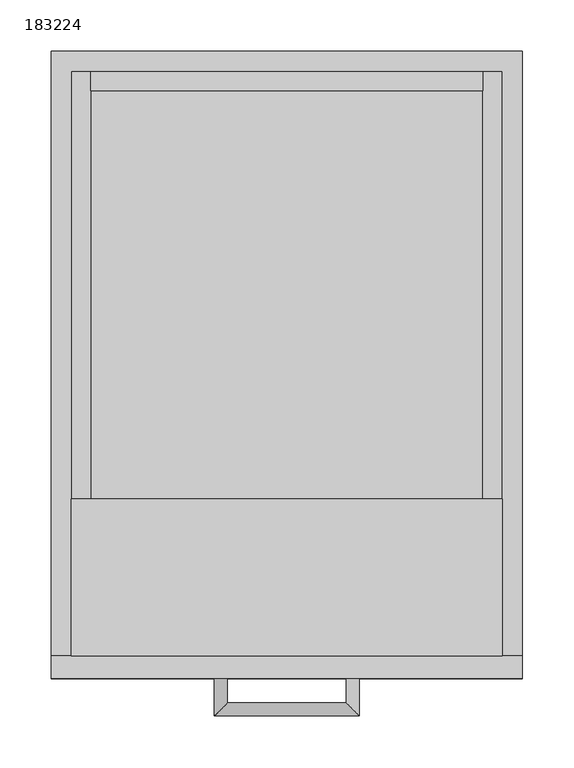
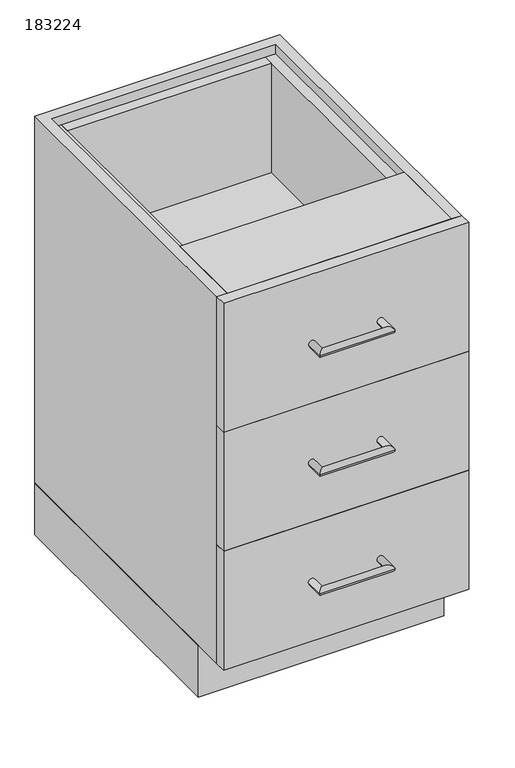
"""IFC4 building model written with IfcOpenShell, lengths in millimetres: furniture geometry, 183224."""

from ifc_helpers import new_model, si_unit, frame, origin, origin_with_axes, place, context, project, spatial, polyline, circle_curve, ellipse_curve, outline, extrude, source, transform, mapped, element, save
from ifc_brep_helpers import plane_surface, cylinder_surface, advanced_brep


def furniture_183224_56a2f781(model_context):
    return source(origin(), model_context, "Body", "SolidModel", [
        extrude(outline(polyline([(-209.8622951, 0.0), (247.3377049, 0.0), (247.3377049, -528.6), (-209.8622951, -528.6), (-209.8622951, 0.0)]), holes=[polyline([(-190.6622951, -509.4), (228.1377049, -509.4), (228.1377049, -19.2), (-190.6622951, -19.2), (-190.6622951, -509.4)])]), origin_with_axes(), (0.0, 0.0, 1.0), 101.5996875),
        extrude(outline(polyline([(208.9377049, -19.2), (208.9377049, -38.4), (-171.4622951, -38.4), (-171.4622951, -19.2), (208.9377049, -19.2)])), frame((0.0, 0.0, 590.5998958), z_axis=(0.0, 0.0, 1.0), x_axis=(1.0, 0.0, 0.0)), (0.0, 0.0, 1.0), 215.7001042),
        extrude(outline(polyline([(208.9377049, -19.2), (208.9377049, -38.4), (-171.4622951, -38.4), (-171.4622951, -19.2), (208.9377049, -19.2)])), frame((0.0, 0.0, 355.6997917), z_axis=(0.0, 0.0, 1.0), x_axis=(1.0, 0.0, 0.0)), (0.0, 0.0, 1.0), 215.7001042),
        extrude(outline(polyline([(208.9377049, -19.2), (208.9377049, -38.4), (-171.4622951, -38.4), (-171.4622951, -19.2), (208.9377049, -19.2)])), frame((0.0, 0.0, 120.7996875), z_axis=(0.0, 0.0, 1.0), x_axis=(1.0, 0.0, 0.0)), (0.0, 0.0, 1.0), 215.7001042),
        extrude(outline(polyline([(806.3, -171.4622951), (806.3, -190.6622951), (571.3998958, -190.6622951), (571.3998958, 228.1377049), (806.3, 228.1377049), (806.3, 208.9377049), (590.5998958, 208.9377049), (590.5998958, -171.4622951), (806.3, -171.4622951)])), frame((0.0, -587.6, 0.0), z_axis=(0.0, 1.0, 0.0), x_axis=(0.0, 0.0, 1.0)), (0.0, 0.0, 1.0), 568.4),
        extrude(outline(polyline([(571.3998958, -171.4622951), (571.3998958, -190.6622951), (336.4997917, -190.6622951), (336.4997917, 228.1377049), (571.3998958, 228.1377049), (571.3998958, 208.9377049), (355.6997917, 208.9377049), (355.6997917, -171.4622951), (571.3998958, -171.4622951)])), frame((0.0, -587.6, 0.0), z_axis=(0.0, 1.0, 0.0), x_axis=(0.0, 0.0, 1.0)), (0.0, 0.0, 1.0), 568.4),
        extrude(outline(polyline([(336.4997917, -171.4622951), (336.4997917, -190.6622951), (101.5996875, -190.6622951), (101.5996875, 228.1377049), (336.4997917, 228.1377049), (336.4997917, 208.9377049), (120.7996875, 208.9377049), (120.7996875, -171.4622951), (336.4997917, -171.4622951)])), frame((0.0, -587.6, 0.0), z_axis=(0.0, 1.0, 0.0), x_axis=(0.0, 0.0, 1.0)), (0.0, 0.0, 1.0), 568.4),
        extrude(outline(polyline([(228.1377049, -435.2), (228.1377049, -587.6), (-190.6622951, -587.6), (-190.6622951, -435.2), (228.1377049, -435.2)])), frame((0.0, 0.0, 806.3), z_axis=(0.0, 0.0, 1.0), x_axis=(1.0, 0.0, 0.0)), (0.0, 0.0, 1.0), 19.2),
        extrude(outline(polyline([(-209.8622951, -609.6), (-209.8622951, -587.6), (247.3377049, -587.6), (247.3377049, -609.6), (-209.8622951, -609.6)])), frame((0.0, 0.0, 571.3998958), z_axis=(0.0, 0.0, 1.0), x_axis=(1.0, 0.0, 0.0)), (0.0, 0.0, 1.0), 254.1001042),
        advanced_brep(
        [(-51.6122951, -609.6, 688.8499479), (-38.9122951, -609.6, 688.8499479), (-51.6122951, -645.95, 688.8499479), (-38.9122951, -633.25, 688.8499479), (89.0877049, -645.95, 688.8499479), (76.3877049, -633.25, 688.8499479), (89.0877049, -609.6, 688.8499479), (76.3877049, -609.6, 688.8499479)],
        [
            (0, 1, circle_curve(frame((-45.2622951, -609.6, 688.8499479), z_axis=(0.0, 1.0, 0.0), x_axis=(1.0, 0.0, 0.0)), 6.35)),
            (1, 0, circle_curve(frame((-45.2622951, -609.6, 688.8499479), z_axis=(0.0, 1.0, 0.0), x_axis=(1.0, 0.0, 0.0)), 6.35)),
            (0, 2),
            (2, 3, ellipse_curve(frame((-45.2622951, -639.6, 688.8499479), z_axis=(-0.7071067811865475, 0.7071067811865475, 0.0), x_axis=(0.7071067811865474, 0.7071067811865476, 0.0)), 8.9802561, 6.35)),
            (3, 1),
            (3, 2, ellipse_curve(frame((-45.2622951, -639.6, 688.8499479), z_axis=(-0.7071067811865475, 0.7071067811865475, 0.0), x_axis=(0.7071067811865474, 0.7071067811865476, 0.0)), 8.9802561, 6.35)),
            (2, 4),
            (4, 5, ellipse_curve(frame((82.7377049, -639.6, 688.8499479), z_axis=(-0.7071067811865475, -0.7071067811865475, 0.0), x_axis=(-0.7071067811865476, 0.7071067811865474, 0.0)), 8.9802561, 6.35)),
            (5, 3),
            (5, 4, ellipse_curve(frame((82.7377049, -639.6, 688.8499479), z_axis=(-0.7071067811865475, -0.7071067811865475, 0.0), x_axis=(-0.7071067811865476, 0.7071067811865474, 0.0)), 8.9802561, 6.35)),
            (6, 7, circle_curve(frame((82.7377049, -609.6, 688.8499479), z_axis=(0.0, 1.0, 0.0), x_axis=(-1.0, 0.0, 0.0)), 6.35)),
            (7, 6, circle_curve(frame((82.7377049, -609.6, 688.8499479), z_axis=(0.0, 1.0, 0.0), x_axis=(-1.0, 0.0, 0.0)), 6.35)),
            (4, 6),
            (7, 5),
        ],
        [
            plane_surface(frame((-45.2622951, -609.6, 688.8499479), z_axis=(0.0, 1.0, 0.0), x_axis=(0.0, 0.0, 1.0))),
            cylinder_surface(frame((-45.2622951, -609.6, 688.8499479), z_axis=(0.0, 1.0, 0.0), x_axis=(1.0, 0.0, 0.0)), 6.35),
            cylinder_surface(frame((-45.2622951, -639.6, 688.8499479), z_axis=(-1.0, 0.0, 0.0), x_axis=(0.0, 1.0, 0.0)), 6.35),
            plane_surface(frame((82.7377049, -609.6, 688.8499479), z_axis=(0.0, 1.0, 0.0), x_axis=(0.0, 0.0, 1.0))),
            cylinder_surface(frame((82.7377049, -639.6, 688.8499479), z_axis=(0.0, -1.0, 0.0), x_axis=(-1.0, 0.0, 0.0)), 6.35),
        ],
        [
            (0, [[1, 2]]),
            (1, [[-1, 3, 4, 5]]),
            (1, [[-2, -5, 6, -3]]),
            (2, [[-4, 7, 8, 9]]),
            (2, [[-6, -9, 10, -7]]),
            (3, [[11, 12]]),
            (4, [[-8, 13, -12, 14]]),
            (4, [[-10, -14, -11, -13]]),
        ],
    ),
        advanced_brep(
        [(76.3877049, -609.6, 219.0497396), (89.0877049, -609.6, 219.0497396), (76.3877049, -633.25, 219.0497396), (89.0877049, -645.95, 219.0497396), (-38.9122951, -633.25, 219.0497396), (-51.6122951, -645.95, 219.0497396), (-38.9122951, -609.6, 219.0497396), (-51.6122951, -609.6, 219.0497396)],
        [
            (0, 1, circle_curve(frame((82.7377049, -609.6, 219.0497396), z_axis=(0.0, 1.0, 0.0), x_axis=(1.0, 0.0, 0.0)), 6.35)),
            (1, 0, circle_curve(frame((82.7377049, -609.6, 219.0497396), z_axis=(0.0, 1.0, 0.0), x_axis=(1.0, 0.0, 0.0)), 6.35)),
            (0, 2),
            (2, 3, ellipse_curve(frame((82.7377049, -639.6, 219.0497396), z_axis=(0.7071067811865475, 0.7071067811865475, 0.0), x_axis=(-0.7071067811865474, 0.7071067811865476, 0.0)), 8.9802561, 6.35)),
            (3, 1),
            (3, 2, ellipse_curve(frame((82.7377049, -639.6, 219.0497396), z_axis=(0.7071067811865475, 0.7071067811865475, 0.0), x_axis=(-0.7071067811865474, 0.7071067811865476, 0.0)), 8.9802561, 6.35)),
            (2, 4),
            (4, 5, ellipse_curve(frame((-45.2622951, -639.6, 219.0497396), z_axis=(0.7071067811865475, -0.7071067811865475, 0.0), x_axis=(0.7071067811865476, 0.7071067811865474, 0.0)), 8.9802561, 6.35)),
            (5, 3),
            (5, 4, ellipse_curve(frame((-45.2622951, -639.6, 219.0497396), z_axis=(0.7071067811865475, -0.7071067811865475, 0.0), x_axis=(0.7071067811865476, 0.7071067811865474, 0.0)), 8.9802561, 6.35)),
            (6, 7, circle_curve(frame((-45.2622951, -609.6, 219.0497396), z_axis=(0.0, 1.0, 0.0), x_axis=(-1.0, 0.0, 0.0)), 6.35)),
            (7, 6, circle_curve(frame((-45.2622951, -609.6, 219.0497396), z_axis=(0.0, 1.0, 0.0), x_axis=(-1.0, 0.0, 0.0)), 6.35)),
            (4, 6),
            (7, 5),
        ],
        [
            plane_surface(frame((82.7377049, -609.6, 219.0497396), z_axis=(0.0, 1.0, 0.0), x_axis=(0.0, 0.0, 1.0))),
            cylinder_surface(frame((82.7377049, -609.6, 219.0497396), z_axis=(0.0, 1.0, 0.0), x_axis=(1.0, 0.0, 0.0)), 6.35),
            cylinder_surface(frame((82.7377049, -639.6, 219.0497396), z_axis=(1.0, 0.0, 0.0), x_axis=(0.0, -1.0, 0.0)), 6.35),
            plane_surface(frame((-45.2622951, -609.6, 219.0497396), z_axis=(0.0, 1.0, 0.0), x_axis=(0.0, 0.0, 1.0))),
            cylinder_surface(frame((-45.2622951, -639.6, 219.0497396), z_axis=(0.0, -1.0, 0.0), x_axis=(-1.0, 0.0, 0.0)), 6.35),
        ],
        [
            (0, [[1, 2]]),
            (1, [[-1, 3, 4, 5]]),
            (1, [[-2, -5, 6, -3]]),
            (2, [[-4, 7, 8, 9]]),
            (2, [[-6, -9, 10, -7]]),
            (3, [[11, 12]]),
            (4, [[-8, 13, -12, 14]]),
            (4, [[-10, -14, -11, -13]]),
        ],
    ),
        extrude(outline(polyline([(247.3377049, -587.6), (247.3377049, -609.6), (-209.8622951, -609.6), (-209.8622951, -587.6), (247.3377049, -587.6)])), frame((0.0, 0.0, 101.5996875), z_axis=(0.0, 0.0, 1.0), x_axis=(1.0, 0.0, 0.0)), (0.0, 0.0, 1.0), 234.9001042),
        advanced_brep(
        [(-51.6122951, -609.6, 453.9498437), (-38.9122951, -609.6, 453.9498437), (-51.6122951, -645.95, 453.9498437), (-38.9122951, -633.25, 453.9498437), (89.0877049, -645.95, 453.9498437), (76.3877049, -633.25, 453.9498437), (89.0877049, -609.6, 453.9498437), (76.3877049, -609.6, 453.9498437)],
        [
            (0, 1, circle_curve(frame((-45.2622951, -609.6, 453.9498437), z_axis=(0.0, 1.0, 0.0), x_axis=(1.0, 0.0, 0.0)), 6.35)),
            (1, 0, circle_curve(frame((-45.2622951, -609.6, 453.9498437), z_axis=(0.0, 1.0, 0.0), x_axis=(1.0, 0.0, 0.0)), 6.35)),
            (0, 2),
            (2, 3, ellipse_curve(frame((-45.2622951, -639.6, 453.9498437), z_axis=(-0.7071067811865475, 0.7071067811865475, 0.0), x_axis=(0.7071067811865474, 0.7071067811865476, 0.0)), 8.9802561, 6.35)),
            (3, 1),
            (3, 2, ellipse_curve(frame((-45.2622951, -639.6, 453.9498437), z_axis=(-0.7071067811865475, 0.7071067811865475, 0.0), x_axis=(0.7071067811865474, 0.7071067811865476, 0.0)), 8.9802561, 6.35)),
            (2, 4),
            (4, 5, ellipse_curve(frame((82.7377049, -639.6, 453.9498437), z_axis=(-0.7071067811865475, -0.7071067811865475, 0.0), x_axis=(-0.7071067811865476, 0.7071067811865474, 0.0)), 8.9802561, 6.35)),
            (5, 3),
            (5, 4, ellipse_curve(frame((82.7377049, -639.6, 453.9498437), z_axis=(-0.7071067811865475, -0.7071067811865475, 0.0), x_axis=(-0.7071067811865476, 0.7071067811865474, 0.0)), 8.9802561, 6.35)),
            (6, 7, circle_curve(frame((82.7377049, -609.6, 453.9498437), z_axis=(0.0, 1.0, 0.0), x_axis=(-1.0, 0.0, 0.0)), 6.35)),
            (7, 6, circle_curve(frame((82.7377049, -609.6, 453.9498437), z_axis=(0.0, 1.0, 0.0), x_axis=(-1.0, 0.0, 0.0)), 6.35)),
            (4, 6),
            (7, 5),
        ],
        [
            plane_surface(frame((-45.2622951, -609.6, 453.9498437), z_axis=(0.0, 1.0, 0.0), x_axis=(0.0, 0.0, 1.0))),
            cylinder_surface(frame((-45.2622951, -609.6, 453.9498437), z_axis=(0.0, 1.0, 0.0), x_axis=(1.0, 0.0, 0.0)), 6.35),
            cylinder_surface(frame((-45.2622951, -639.6, 453.9498437), z_axis=(-1.0, 0.0, 0.0), x_axis=(0.0, 1.0, 0.0)), 6.35),
            plane_surface(frame((82.7377049, -609.6, 453.9498437), z_axis=(0.0, 1.0, 0.0), x_axis=(0.0, 0.0, 1.0))),
            cylinder_surface(frame((82.7377049, -639.6, 453.9498437), z_axis=(0.0, -1.0, 0.0), x_axis=(-1.0, 0.0, 0.0)), 6.35),
        ],
        [
            (0, [[1, 2]]),
            (1, [[-1, 3, 4, 5]]),
            (1, [[-2, -5, 6, -3]]),
            (2, [[-4, 7, 8, 9]]),
            (2, [[-6, -9, 10, -7]]),
            (3, [[11, 12]]),
            (4, [[-8, 13, -12, 14]]),
            (4, [[-10, -14, -11, -13]]),
        ],
    ),
        extrude(outline(polyline([(-209.8622951, -609.6), (-209.8622951, -587.6), (247.3377049, -587.6), (247.3377049, -609.6), (-209.8622951, -609.6)])), frame((0.0, 0.0, 336.4997917), z_axis=(0.0, 0.0, 1.0), x_axis=(1.0, 0.0, 0.0)), (0.0, 0.0, 1.0), 234.9001042),
        extrude(outline(polyline([(247.3377049, -587.6), (228.1377049, -587.6), (228.1377049, -19.2), (-190.6622951, -19.2), (-190.6622951, -587.6), (-209.8622951, -587.6), (-209.8622951, 0.0), (247.3377049, 0.0), (247.3377049, -587.6)])), frame((0.0, 0.0, 101.5996875), z_axis=(0.0, 0.0, 1.0), x_axis=(1.0, 0.0, 0.0)), (0.0, 0.0, 1.0), 723.9003125),
    ])


if __name__ == "__main__":
    model = new_model("IFC4")
    model_context = context("Model", 3, world=origin())
    ifc_project = project(units=[si_unit("LENGTHUNIT", "METRE", prefix="MILLI")], contexts=[model_context])
    site = spatial("IfcSite", under=ifc_project)
    building = spatial("IfcBuilding", under=site)
    placement = place(None, origin())
    furniture_183224_shape = furniture_183224_56a2f781(model_context)
    element("IfcFurniture", 1, ObjectType="183224", at=placement, inside=building, context=model_context, shape_type="MappedRepresentation", body=[
        mapped(furniture_183224_shape, transform((0.0, 0.0, 0.0), x_axis=(1.0, 0.0, 0.0), y_axis=(0.0, 1.0, 0.0), z_axis=(0.0, 0.0, 1.0))),
    ])
    save(model, "model.ifc")
